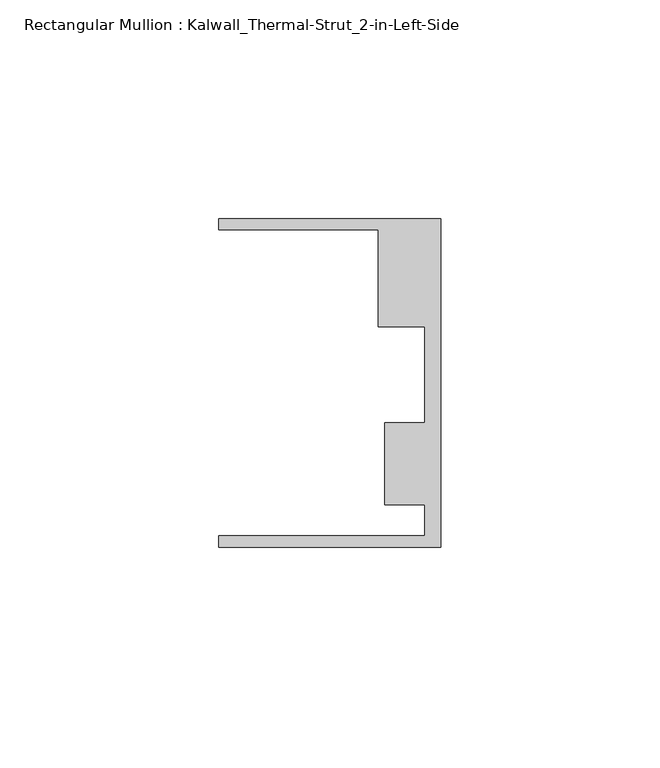
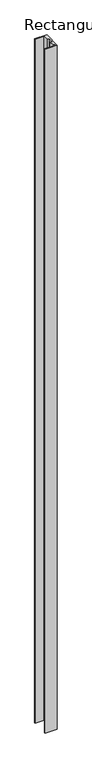
"""IFC4 building model written with IfcOpenShell, lengths in millimetres: member geometry, Rectangular Mullion : Kalwall_Thermal-Strut_2-in-Left-Side."""

from ifc_helpers import new_model, si_unit, frame, origin, place, context, project, spatial, polyline, outline, extrude, source, transform, mapped, element, save


def rectangular_mullion_kalwall_thermal_strut_2_in_left_side_e0a0ea11(model_context):
    return source(origin(), model_context, "Body", "SweptSolid", [
        extrude(outline(polyline([(0.0, -37.5776386), (-50.8, -37.5776386), (-50.8, -35.0376386), (-3.7084, -35.0376386), (-3.7084, -27.8888568), (-12.8272539, -27.8888568), (-12.8272539, -9.1879886), (-3.7084, -9.1879886), (-3.7084, 12.7373614), (-14.2875, 12.7373614), (-14.2875, 34.9623614), (-50.8, 34.9623614), (-50.8, 37.5023614), (0.0, 37.5023614), (0.0, -37.5776386)])), frame((0.0, 0.0, -3013.075), z_axis=(0.0, 0.0, 1.0), x_axis=(1.0, 0.0, 0.0)), (0.0, 0.0, 1.0), 3013.075),
    ])


if __name__ == "__main__":
    model = new_model("IFC4")
    model_context = context("Model", 3, world=origin())
    ifc_project = project(units=[si_unit("LENGTHUNIT", "METRE", prefix="MILLI")], contexts=[model_context])
    site = spatial("IfcSite", under=ifc_project)
    building = spatial("IfcBuilding", under=site)
    placement = place(None, origin())
    rectangular_mullion_kalwall_thermal_strut_2_in_left_side_shape = rectangular_mullion_kalwall_thermal_strut_2_in_left_side_e0a0ea11(model_context)
    element("IfcMember", 1, ObjectType="Rectangular Mullion : Kalwall_Thermal-Strut_2-in-Left-Side", at=placement, inside=building, context=model_context, shape_type="MappedRepresentation", body=[
        mapped(rectangular_mullion_kalwall_thermal_strut_2_in_left_side_shape, transform((0.0, 0.0, 0.0), x_axis=(1.0, 0.0, 0.0), y_axis=(0.0, 1.0, 0.0), z_axis=(0.0, 0.0, 1.0))),
    ])
    save(model, "model.ifc")
